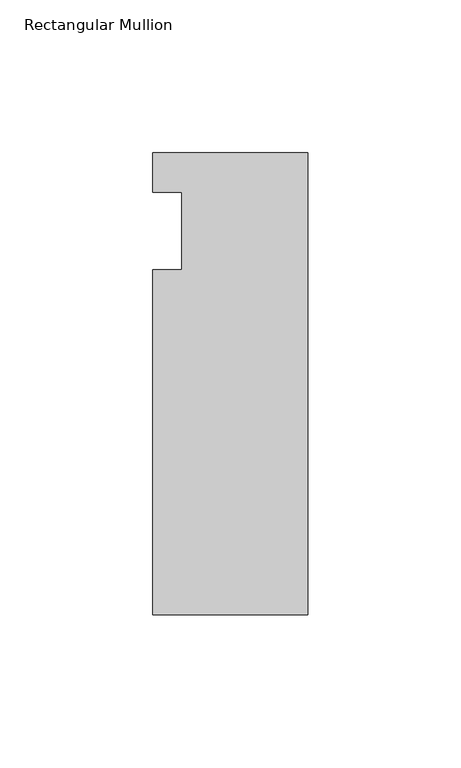
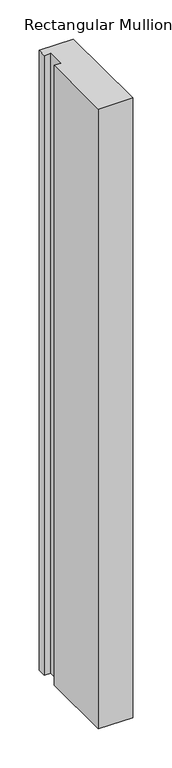
"""IFC4 building model written with IfcOpenShell, lengths in millimetres: member geometry, Rectangular Mullion."""

from ifc_helpers import new_model, si_unit, frame, origin, place, context, project, spatial, polyline, outline, extrude, source, transform, mapped, element, save


def rectangular_mullion_b59b3bec(model_context):
    return source(origin(), model_context, "Body", "SweptSolid", [
        extrude(outline(polyline([(-50.8, 25.5984375), (0.0, 25.5984375), (0.0, -125.6109375), (-50.8, -125.6109375), (-50.8, -12.7), (-41.275, -12.7), (-41.275, 12.7), (-50.8, 12.7), (-50.8, 25.5984375)])), frame((0.0, 0.0, -967.42885), z_axis=(0.0, 0.0, 1.0), x_axis=(1.0, 0.0, 0.0)), (0.0, 0.0, 1.0), 967.42885),
    ])


if __name__ == "__main__":
    model = new_model("IFC4")
    model_context = context("Model", 3, world=origin())
    ifc_project = project(units=[si_unit("LENGTHUNIT", "METRE", prefix="MILLI")], contexts=[model_context])
    site = spatial("IfcSite", under=ifc_project)
    building = spatial("IfcBuilding", under=site)
    placement = place(None, origin())
    rectangular_mullion_shape = rectangular_mullion_b59b3bec(model_context)
    element("IfcMember", 1, ObjectType="Rectangular Mullion", at=placement, inside=building, context=model_context, shape_type="MappedRepresentation", body=[
        mapped(rectangular_mullion_shape, transform((0.0, 0.0, 0.0), x_axis=(1.0, 0.0, 0.0), y_axis=(0.0, 1.0, 0.0), z_axis=(0.0, 0.0, 1.0))),
    ])
    save(model, "model.ifc")
